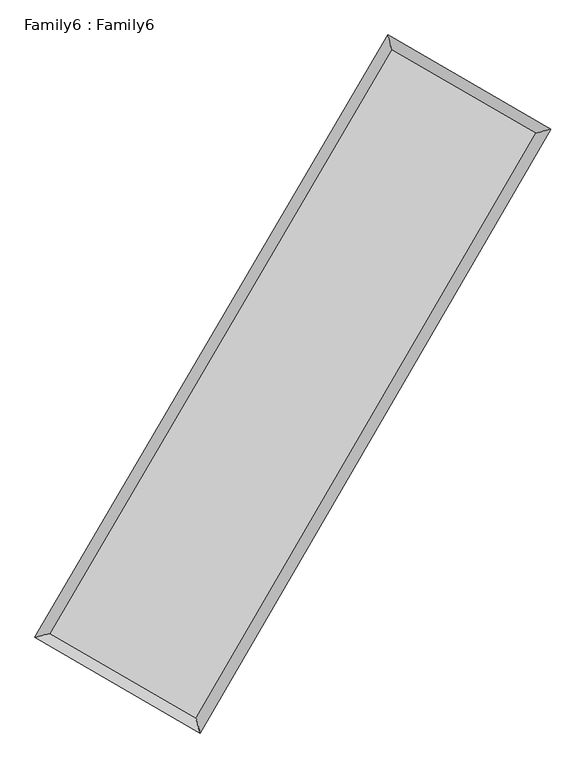
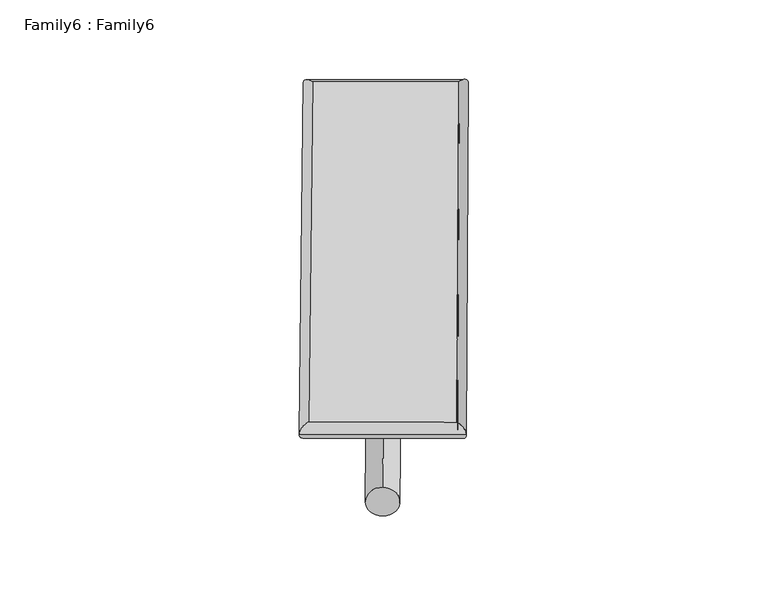
"""IFC4 building model written with IfcOpenShell, lengths in millimetres: plate geometry, Family6 : Family6."""

import ifcopenshell
import ifcopenshell.guid

model = None  # the IFC model being written
_history = None  # IfcOwnerHistory: only IFC2X3 demands one
_inside = {}  # id of a spatial element -> (the spatial element, [elements in it])
_under = {}  # id of a project, library or spatial element -> (it, [spatial elements below it])
_declared = {}  # id of a project -> (the project, [libraries it declares])
_typed = {}  # id of a type object -> (the type object, [elements of that type])
_made_of = {}  # id of a material, layer set ... -> (it, [elements and type objects made of it])


def new_model(schema):
    """Start an empty IFC model of exactly this schema.

    Asked for "IFC4X3", IfcOpenShell would pick the latest addendum, in which some entities
    have other attributes; the version numbers below select the first issue.
    IFC2X3 requires an IfcOwnerHistory on every rooted entity: one is made here for all.
    """
    global model, _history
    if schema == "IFC4X3":
        model = ifcopenshell.file(schema_version=(4, 3, 0, 0))
    else:
        model = ifcopenshell.file(schema=schema)
    _inside.clear()
    _under.clear()
    _declared.clear()
    _typed.clear()
    _made_of.clear()
    _history = None
    if model.schema == "IFC2X3":
        org = make("IfcOrganization", Name="unknown")
        user = make(
            "IfcPersonAndOrganization",
            ThePerson=make("IfcPerson", FamilyName="unknown"),
            TheOrganization=org,
        )
        app = make(
            "IfcApplication",
            ApplicationDeveloper=org,
            Version="unknown",
            ApplicationFullName="unknown",
            ApplicationIdentifier="unknown",
        )
        _history = make(
            "IfcOwnerHistory",
            OwningUser=user,
            OwningApplication=app,
            ChangeAction="ADDED",
            CreationDate=0,
        )
    return model


def make(cls, **values):
    """One entity of the class cls with the attributes given. An attribute that is None is left unset."""
    return model.create_entity(
        cls, **{name: value for name, value in values.items() if value is not None}
    )


def rooted(cls, **values):
    """An entity with a GlobalId (a new one), such as an element, a storey or a relation."""
    return make(cls, GlobalId=ifcopenshell.guid.new(), OwnerHistory=_history, **values)


def si_unit(unit_type, name, prefix=None):
    """IfcSIUnit, for example si_unit("LENGTHUNIT", "METRE", prefix="MILLI")."""
    return make("IfcSIUnit", UnitType=unit_type, Prefix=prefix, Name=name)


def assignment(units):
    """IfcUnitAssignment: the units of a project."""
    return None if units is None else make("IfcUnitAssignment", Units=units)


def point(xyz):
    """IfcCartesianPoint."""
    return None if xyz is None else make("IfcCartesianPoint", Coordinates=xyz)


def direction(xyz):
    """IfcDirection."""
    return None if xyz is None else make("IfcDirection", DirectionRatios=xyz)


def frame(location, z_axis=None, x_axis=None):
    """IfcAxis2Placement3D, a coordinate frame: its origin and axes. An axis left out is left unset."""
    return make(
        "IfcAxis2Placement3D",
        Location=point(location),
        Axis=direction(z_axis),
        RefDirection=direction(x_axis),
    )


def frame_2d(location, x_axis=None):
    """IfcAxis2Placement2D, a coordinate frame in the plane: its origin and x axis."""
    return make(
        "IfcAxis2Placement2D", Location=point(location), RefDirection=direction(x_axis)
    )


def origin():
    """The frame at (0, 0, 0) with its axes left unset."""
    return frame((0.0, 0.0, 0.0))


def origin_2d():
    """The frame at (0, 0) in the plane with its x axis left unset."""
    return frame_2d((0.0, 0.0))


def place(relative_to, where):
    """IfcLocalPlacement: puts the frame where relative to a parent placement (None: the world)."""
    return make(
        "IfcLocalPlacement", PlacementRelTo=relative_to, RelativePlacement=where
    )


def context(
    kind, dimensions, precision=None, world=None, true_north=None, identifier=None
):
    """IfcGeometricRepresentationContext, for example the 3D "Model" context."""
    return make(
        "IfcGeometricRepresentationContext",
        ContextIdentifier=identifier,
        ContextType=kind,
        CoordinateSpaceDimension=dimensions,
        Precision=precision,
        WorldCoordinateSystem=world,
        TrueNorth=true_north,
    )


def project(units=None, contexts=None):
    """IfcProject with its units and contexts."""
    return rooted(
        "IfcProject",
        Name="project",
        RepresentationContexts=contexts,
        UnitsInContext=assignment(units),
    )


def spatial(cls, under=None, at=None, **own):
    """A site, building, storey or space (cls), placed at a placement, below another one or the project."""
    s = rooted(cls, ObjectPlacement=at, **own)
    if under is not None:
        _under.setdefault(under.id(), (under, []))[1].append(s)
    return s


def circle_curve(where, radius):
    """IfcCircle in the frame where."""
    return make("IfcCircle", Position=where, Radius=radius)


def ellipse_curve(where, semi_axis1, semi_axis2):
    """IfcEllipse in the frame where."""
    return make(
        "IfcEllipse", Position=where, SemiAxis1=semi_axis1, SemiAxis2=semi_axis2
    )


def trimmed(basis, trim1, trim2, sense, master):
    """IfcTrimmedCurve: the piece of a basis curve between two trims."""
    return make(
        "IfcTrimmedCurve",
        BasisCurve=basis,
        Trim1=trim1,
        Trim2=trim2,
        SenseAgreement=sense,
        MasterRepresentation=master,
    )


def segment(curve, same_sense, transition):
    """IfcCompositeCurveSegment."""
    return make(
        "IfcCompositeCurveSegment",
        Transition=transition,
        SameSense=same_sense,
        ParentCurve=curve,
    )


def composite_curve(segments, self_intersect=None):
    """IfcCompositeCurve: segments joined end to end."""
    return make("IfcCompositeCurve", Segments=segments, SelfIntersect=self_intersect)


def outline(outer, holes=None, kind="AREA"):
    """IfcArbitraryClosedProfileDef: a profile drawn as a closed curve; with holes, ...WithVoids."""
    if holes is None:
        return make("IfcArbitraryClosedProfileDef", ProfileType=kind, OuterCurve=outer)
    return make(
        "IfcArbitraryProfileDefWithVoids",
        ProfileType=kind,
        OuterCurve=outer,
        InnerCurves=holes,
    )


def extrude(swept, where, along, depth):
    """IfcExtrudedAreaSolid: the profile swept, set in the frame where, extruded along a direction by depth."""
    return make(
        "IfcExtrudedAreaSolid",
        SweptArea=swept,
        Position=where,
        ExtrudedDirection=direction(along),
        Depth=depth,
    )


def shape(context_of_items, identifier, shape_type, items):
    """IfcShapeRepresentation: the items that make up one representation, for example the "Body"."""
    return make(
        "IfcShapeRepresentation",
        ContextOfItems=context_of_items,
        RepresentationIdentifier=identifier,
        RepresentationType=shape_type,
        Items=items,
    )


def source(mapping_origin, context_of_items, identifier, shape_type, items):
    """IfcRepresentationMap: a shape defined once, which mapped items show again and again."""
    return make(
        "IfcRepresentationMap",
        MappingOrigin=mapping_origin,
        MappedRepresentation=shape(context_of_items, identifier, shape_type, items),
    )


def transform(
    local_origin,
    x_axis=None,
    y_axis=None,
    z_axis=None,
    scale=None,
    scale2=None,
    scale3=None,
    uniform=True,
):
    """IfcCartesianTransformationOperator3D, or its non-uniform kind. x_axis, y_axis, z_axis: its Axis1, 2, 3."""
    if uniform:
        return make(
            "IfcCartesianTransformationOperator3D",
            Axis1=direction(x_axis),
            Axis2=direction(y_axis),
            LocalOrigin=point(local_origin),
            Scale=scale,
            Axis3=direction(z_axis),
        )
    return make(
        "IfcCartesianTransformationOperator3DnonUniform",
        Axis1=direction(x_axis),
        Axis2=direction(y_axis),
        LocalOrigin=point(local_origin),
        Scale=scale,
        Axis3=direction(z_axis),
        Scale2=scale2,
        Scale3=scale3,
    )


def mapped(mapping_source, mapping_target):
    """IfcMappedItem: shows the shape of a source again, moved by a transform."""
    return make(
        "IfcMappedItem", MappingSource=mapping_source, MappingTarget=mapping_target
    )


def made_of(thing, what):
    """Note that an element or type object is made of a material, layer set ...; save() writes the relation."""
    if what is not None:
        _made_of.setdefault(what.id(), (what, []))[1].append(thing)
    return thing


def element(
    cls,
    number,
    at=None,
    inside=None,
    cuts=None,
    type_object=None,
    material=None,
    context=None,
    identifier="Body",
    shape_type=None,
    held_by="IfcProductDefinitionShape",
    body=None,
    shapes=None,
    **own,
):
    """One element of the class cls, such as IfcWall. Its Tag is "e" and its number.

    at: its placement. inside: the storey or other place that contains it. cuts: it is an
    opening in that element (IfcRelVoidsElement). A single representation is given by context,
    identifier, shape_type and body (its items); several are given by shapes. held_by: the class
    of the entity that holds the representations. save() writes the other relations.
    """
    e = rooted(cls, Tag="e%d" % number, ObjectPlacement=at, **own)
    if body is not None:
        shapes = [shape(context, identifier, shape_type, body)]
    if shapes is not None:
        e.Representation = make(held_by, Representations=shapes)
    if inside is not None:
        _inside.setdefault(inside.id(), (inside, []))[1].append(e)
    if cuts is not None:
        rooted(
            "IfcRelVoidsElement", RelatingBuildingElement=cuts, RelatedOpeningElement=e
        )
    if type_object is not None:
        _typed.setdefault(type_object.id(), (type_object, []))[1].append(e)
    return made_of(e, material)


def aggregate(whole, parts):
    """IfcRelAggregates: a whole, such as a stair, and the parts it consists of."""
    return rooted("IfcRelAggregates", RelatingObject=whole, RelatedObjects=parts)


def save(model, path):
    """Write the relations noted so far, then the file.

    IfcRelAggregates (storeys below a building ...), IfcRelContainedInSpatialStructure (elements
    in a storey), IfcRelDefinesByType, IfcRelAssociatesMaterial and IfcRelDeclares: one each for
    every whole, place, type object, material and project.
    """
    for whole, parts in _under.values():
        aggregate(whole, parts)
    for where, things in _inside.values():
        rooted(
            "IfcRelContainedInSpatialStructure",
            RelatedElements=things,
            RelatingStructure=where,
        )
    for kind, things in _typed.values():
        rooted("IfcRelDefinesByType", RelatedObjects=things, RelatingType=kind)
    for what, things in _made_of.values():
        rooted("IfcRelAssociatesMaterial", RelatedObjects=things, RelatingMaterial=what)
    for by, libraries in _declared.values():
        rooted("IfcRelDeclares", RelatingContext=by, RelatedDefinitions=libraries)
    model.write(path)


def plane_surface(at):
    """IfcPlane: the flat surface through the origin of the frame at, square to its z axis."""
    return make("IfcPlane", Position=at)


def cylinder_surface(at, radius):
    """IfcCylindricalSurface: all points at the distance radius from the z axis of the frame at."""
    return make("IfcCylindricalSurface", Position=at, Radius=radius)


def spline_surface(u_degree, v_degree, points, u_multiplicities, v_multiplicities, u_knots, v_knots, weights=None):
    """IfcBSplineSurfaceWithKnots; with weights, IfcRationalBSplineSurfaceWithKnots. points: one row for each step in u."""
    own = dict(
        UDegree=u_degree,
        VDegree=v_degree,
        ControlPointsList=[[point(p) for p in row] for row in points],
        SurfaceForm="UNSPECIFIED",
        UClosed=False,
        VClosed=False,
        SelfIntersect=False,
        UMultiplicities=u_multiplicities,
        VMultiplicities=v_multiplicities,
        UKnots=u_knots,
        VKnots=v_knots,
        KnotSpec="UNSPECIFIED",
    )
    if weights is None:
        return make("IfcBSplineSurfaceWithKnots", **own)
    return make("IfcRationalBSplineSurfaceWithKnots", WeightsData=weights, **own)


def advanced_brep(points, edges, surfaces, faces):
    """IfcAdvancedBrep: a solid bounded by faces that lie on surfaces and meet in shared edges.

    An edge is (start, end): straight between two places in points (the first is 0);
    or (start, end, curve); or (start, end, curve, False) where it runs against its curve.
    A face is (place in surfaces, loops), or (place, loops, False) where it looks against
    its surface's normal. A loop lists edges by number (the first is 1), with a minus sign
    where the edge is run from its end to its start. The first loop is the outer one.
    """
    corners = [point(p) for p in points]
    vertices = [make("IfcVertexPoint", VertexGeometry=c) for c in corners]
    made = []
    for start, end, *more in edges:
        made.append(
            make(
                "IfcEdgeCurve",
                EdgeStart=vertices[start],
                EdgeEnd=vertices[end],
                EdgeGeometry=more[0] if more else make("IfcPolyline", Points=[corners[start], corners[end]]),
                SameSense=more[1] if len(more) > 1 else True,
            )
        )
    hull = []
    for where, loops, *sense in faces:
        bounds = []
        for j, loop in enumerate(loops):
            ring = [make("IfcOrientedEdge", EdgeElement=made[abs(k) - 1], Orientation=k > 0) for k in loop]
            bounds.append(
                make(
                    "IfcFaceOuterBound" if j == 0 else "IfcFaceBound",
                    Bound=make("IfcEdgeLoop", EdgeList=ring),
                    Orientation=True,
                )
            )
        hull.append(make("IfcAdvancedFace", Bounds=bounds, FaceSurface=surfaces[where], SameSense=sense[0] if sense else True))
    return make("IfcAdvancedBrep", Outer=make("IfcClosedShell", CfsFaces=hull))


def family6_family6_7400c9bf(model_context):
    return source(origin(), model_context, "Body", "SolidModel", [
        extrude(outline(composite_curve([segment(trimmed(circle_curve(origin_2d(), 76.2), [point((-75.4341514, -10.7763074))], [point((75.4341514, 10.7763074))], False, "CARTESIAN"), True, "CONTINUOUS"), segment(trimmed(circle_curve(origin_2d(), 76.2), [point((75.4341514, 10.7763074))], [point((-75.4341514, -10.7763074))], False, "CARTESIAN"), True, "CONTINUOUS")], self_intersect=False)), frame((9144.0, 9144.0, 0.0), z_axis=(0.6706892262176996, 0.6894577760399571, 0.273539644098511), x_axis=(-0.6813955711598936, 0.7183977223237041, -0.14001709954072297)), (0.0, 0.0, 1.0), 5578.5806751),
        extrude(outline(composite_curve([segment(trimmed(circle_curve(origin_2d(), 76.2), [point((-53.8815367, 53.8815367))], [point((53.8815367, -53.8815367))], False, "CARTESIAN"), True, "CONTINUOUS"), segment(trimmed(circle_curve(origin_2d(), 76.2), [point((53.8815367, -53.8815367))], [point((-53.8815367, 53.8815367))], False, "CARTESIAN"), True, "CONTINUOUS")], self_intersect=False)), frame((9144.0, 9144.0, 0.0), z_axis=(-0.6730246367797863, -0.6872412108896295, 0.27338133868717635), x_axis=(0.6416235558608053, -0.35864219733158786, 0.6780081023540252)), (0.0, 0.0, 1.0), 5582.0633298),
        extrude(outline(composite_curve([segment(trimmed(circle_curve(origin_2d(), 76.2), [point((-53.8815367, -53.8815367))], [point((53.8815367, 53.8815367))], False, "CARTESIAN"), True, "CONTINUOUS"), segment(trimmed(circle_curve(origin_2d(), 76.2), [point((53.8815367, 53.8815367))], [point((-53.8815367, -53.8815367))], False, "CARTESIAN"), True, "CONTINUOUS")], self_intersect=False)), frame((9144.0, 9144.0, 0.0), z_axis=(0.2700315734495548, 0.9233657678452467, 0.27290769155873174), x_axis=(-0.8406864417279092, 0.36427787486700397, -0.4006843353280065)), (0.0, 0.0, 1.0), 5566.003286),
        extrude(outline(composite_curve([segment(trimmed(circle_curve(origin_2d(), 76.2), [point((-75.4341514, 10.7763074))], [point((75.4341514, -10.7763074))], False, "CARTESIAN"), True, "CONTINUOUS"), segment(trimmed(circle_curve(origin_2d(), 76.2), [point((75.4341514, -10.7763074))], [point((-75.4341514, 10.7763074))], False, "CARTESIAN"), True, "CONTINUOUS")], self_intersect=False)), frame((9144.0, 9144.0, 0.0), z_axis=(-0.2670571021806871, -0.9242954068287987, 0.2726875594706135), x_axis=(0.8808372767969681, -0.11934224867628632, 0.45813002464997743)), (0.0, 0.0, 1.0), 5571.150027),
        advanced_brep(
        [(5178.17728, 5252.6270372, 1525.4916388), (5178.1756747, 5252.6248919, 1526.7037154), (5596.0904299, 5362.9250387, 1526.5722527), (10701.9042527, 14075.729423, 1519.7512144), (10592.0889976, 14491.184373, 1518.2590016), (5596.0920352, 5362.927184, 1525.3601761), (12676.941291, 12934.6789145, 1525.8901719), (13094.0466217, 13045.7127369, 1526.035773), (7600.8730068, 4202.7033362, 1519.3091767), (7711.4966291, 3786.5199023, 1519.0574319)],
        [
            (0, 1, ellipse_curve(frame((5387.133855, 5307.7760379, 1526.0319457), z_axis=(-0.2551905742373008, 0.9668897997019437, 0.0013733363651017942), x_axis=(-0.9668873001770477, -0.2551932076768238, 0.002318515031862655)), 216.1149017, 152.4)),
            (1, 2, ellipse_curve(frame((5387.133855, 5307.7760379, 1526.0319457), z_axis=(-0.2551905742373008, 0.9668897997019437, 0.0013733363651017942), x_axis=(-0.9668873001770477, -0.2551932076768238, 0.002318515031862655)), 216.1149017, 152.4)),
            (2, 3),
            (3, 4, ellipse_curve(frame((10646.9966251, 14283.456898, 1519.005108), z_axis=(-0.9667939485906657, -0.25555320666729103, -0.0014211018731902908), x_axis=(0.2555494549565201, -0.9667930352761392, 0.002388098192098494)), 214.8631233, 152.4)),
            (4, 0),
            (2, 5, ellipse_curve(frame((5387.133855, 5307.7760379, 1526.0319457), z_axis=(-0.2551905742373008, 0.9668897997019437, 0.0013733363651017942), x_axis=(-0.9668873001770477, -0.2551932076768238, 0.002318515031862655)), 216.1149017, 152.4)),
            (5, 0, ellipse_curve(frame((5387.133855, 5307.7760379, 1526.0319457), z_axis=(-0.2551905742373008, 0.9668897997019437, 0.0013733363651017942), x_axis=(-0.9668873001770477, -0.2551932076768238, 0.002318515031862655)), 216.1149017, 152.4)),
            (4, 3, ellipse_curve(frame((10646.9966251, 14283.456898, 1519.005108), z_axis=(-0.9667939485906657, -0.25555320666729103, -0.0014211018731902908), x_axis=(0.2555494549565201, -0.9667930352761392, 0.002388098192098494)), 214.8631233, 152.4)),
            (3, 6),
            (6, 7, ellipse_curve(frame((12885.4939564, 12990.1958257, 1525.9629724), z_axis=(-0.25724169366995064, 0.9663460172310148, -0.0014443059130989104), x_axis=(-0.9663434554690545, -0.2572445399844171, -0.002360660994964018)), 215.8159833, 152.4)),
            (7, 4),
            (7, 6, ellipse_curve(frame((12885.4939564, 12990.1958257, 1525.9629724), z_axis=(-0.25724169366995064, 0.9663460172310148, -0.0014443059130989104), x_axis=(-0.9663434554690545, -0.2572445399844171, -0.002360660994964018)), 215.8159833, 152.4)),
            (6, 8),
            (8, 9, ellipse_curve(frame((7656.184818, 3994.6116193, 1519.1833043), z_axis=(0.9664408243776307, 0.25688560563447327, -0.0013851332411026485), x_axis=(-0.2568820740566546, 0.9664399945812956, 0.002310173598879157)), 215.3177012, 152.4)),
            (9, 7),
            (9, 8, ellipse_curve(frame((7656.184818, 3994.6116193, 1519.1833043), z_axis=(0.9664408243776307, 0.25688560563447327, -0.0013851332411026485), x_axis=(-0.2568820740566546, 0.9664399945812956, 0.002310173598879157)), 215.3177012, 152.4)),
            (8, 5),
            (1, 9),
        ],
        [
            cylinder_surface(frame((5387.133855, 5307.7760379, 1526.0319457), z_axis=(-0.5055946678269075, -0.8627708708824369, 0.0006754419004951391), x_axis=(-0.8627648118628904, 0.5055878099613114, -0.0042244324726891614)), 152.4),
            cylinder_surface(frame((10646.9966251, 14283.456898, 1519.005108), z_axis=(-0.8658775097704641, 0.5002488326023093, -0.002691385094443684), x_axis=(0.5002545863358848, 0.8658755201473175, -0.00222091411927103)), 152.4),
            cylinder_surface(frame((12885.4939564, 12990.1958257, 1525.9629724), z_axis=(0.5025713865665029, 0.8645354688268142, 0.0006515711959946957), x_axis=(0.8645356965216103, -0.5025713865665029, -0.0001756260714224372)), 152.4),
            cylinder_surface(frame((7656.184818, 3994.6116193, 1519.1833043), z_axis=(0.865505467263116, -0.5008926649574241, -0.0026123417665496573), x_axis=(-0.5008895517330796, -0.8655093782147638, 0.001781344135021775)), 152.4),
        ],
        [
            (0, [[1, 2, 3, 4, 5]]),
            (0, [[6, 7, -5, 8, -3]]),
            (1, [[-4, 9, 10, 11]]),
            (1, [[-8, -11, 12, -9]]),
            (2, [[-10, 13, 14, 15]]),
            (2, [[-12, -15, 16, -13]]),
            (3, [[-14, 17, -6, -2, 18]]),
            (3, [[-16, -18, -1, -7, -17]]),
        ],
    ),
        extrude(outline(composite_curve([segment(trimmed(circle_curve(origin_2d(), 304.8), [point((0.0, -304.8))], [point((0.0, 304.8))], False, "CARTESIAN"), True, "CONTINUOUS"), segment(trimmed(circle_curve(origin_2d(), 304.8), [point((0.0, 304.8))], [point((0.0, -304.8))], False, "CARTESIAN"), True, "CONTINUOUS")], self_intersect=False)), frame((6506.6320671, 4633.1642681, -0.0002579), z_axis=(0.50473423651962, 0.8632747827227167, 4.9357755541443275e-08), x_axis=(-0.8632747827227181, 0.50473423651962, 1.3370303344699843e-08)), (0.0, 0.0, 1.0), 10450.5212528),
        advanced_brep(
        [(5387.133855, 5307.7760379, 1526.0319457), (7656.184818, 3994.6116193, 1519.1833043), (7656.1853997, 3994.6133649, 1671.5833043), (5387.1344367, 5307.7777836, 1678.4319457), (12885.4939564, 12990.1958257, 1525.9629724), (12885.4945381, 12990.1975713, 1678.3629724), (10646.9966251, 14283.456898, 1519.005108), (10646.9972069, 14283.4586436, 1671.405108)],
        [
            (0, 1),
            (1, 2),
            (2, 3),
            (3, 0),
            (1, 4),
            (4, 5),
            (5, 2),
            (4, 6),
            (6, 7),
            (7, 5),
            (6, 0),
            (3, 7),
        ],
        [
            plane_surface(frame((6521.6593365, 4651.1938286, 1522.607625), z_axis=(-0.5008943473213999, -0.8655084359390275, 1.1825700090216948e-05), x_axis=(0.8655054672631156, -0.5008926649574245, -0.0026123417665496573))),
            plane_surface(frame((10270.8393872, 8492.4037225, 1522.5731384), z_axis=(0.8645356515369804, -0.5025714946308584, 2.4564723034252293e-06), x_axis=(0.502571386566503, 0.8645354688268142, 0.0006515711959946955))),
            plane_surface(frame((11766.2452908, 13636.8263618, 1522.4840402), z_axis=(0.5002506719299464, 0.8658806298178447, -1.1827506253057765e-05), x_axis=(-0.8658775097704641, 0.5002488326023096, -0.0026913850944436843))),
            plane_surface(frame((8017.06524, 9795.616468, 1522.5185269), z_axis=(-0.8627710685402469, 0.5055947817013952, -2.4978373322026115e-06), x_axis=(-0.5055946678269075, -0.8627708708824366, 0.0006754419004951383))),
            spline_surface(1, 1, [[(7656.1853997, 3994.6133649, 1671.5833043), (5387.1344367, 5307.7777836, 1678.4319457)], [(12885.4945381, 12990.1975713, 1678.3629724), (10646.9972069, 14283.4586436, 1671.405108)]], [2, 2], [2, 2], [0.0, 1.0], [0.0, 1.0]),
            spline_surface(1, 1, [[(10646.9966251, 14283.456898, 1519.005108), (5387.133855, 5307.7760379, 1526.0319457)], [(12885.4939564, 12990.1958257, 1525.9629724), (7656.184818, 3994.6116193, 1519.1833043)]], [2, 2], [2, 2], [0.0, 1.0], [0.0, 1.0]),
        ],
        [
            (0, [[1, 2, 3, 4]]),
            (1, [[5, 6, 7, -2]]),
            (2, [[8, 9, 10, -6]]),
            (3, [[11, -4, 12, -9]]),
            (4, [[-3, -7, -10, -12]]),
            (5, [[-11, -8, -5, -1]]),
        ],
    ),
    ])


if __name__ == "__main__":
    model = new_model("IFC4")
    model_context = context("Model", 3, world=origin())
    ifc_project = project(units=[si_unit("LENGTHUNIT", "METRE", prefix="MILLI")], contexts=[model_context])
    site = spatial("IfcSite", under=ifc_project)
    building = spatial("IfcBuilding", under=site)
    placement = place(None, origin())
    family6_family6_shape = family6_family6_7400c9bf(model_context)
    element("IfcPlate", 1, ObjectType="Family6 : Family6", at=placement, inside=building, context=model_context, shape_type="MappedRepresentation", body=[
        mapped(family6_family6_shape, transform((0.0, 0.0, 0.0), x_axis=(1.0, 0.0, 0.0), y_axis=(0.0, 1.0, 0.0), z_axis=(0.0, 0.0, 1.0))),
    ])
    save(model, "model.ifc")
